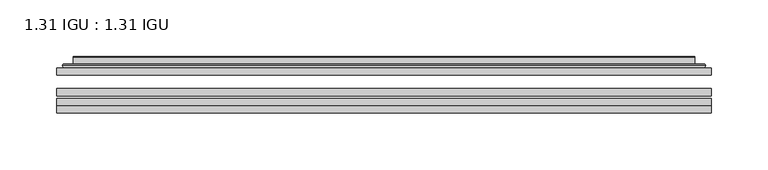
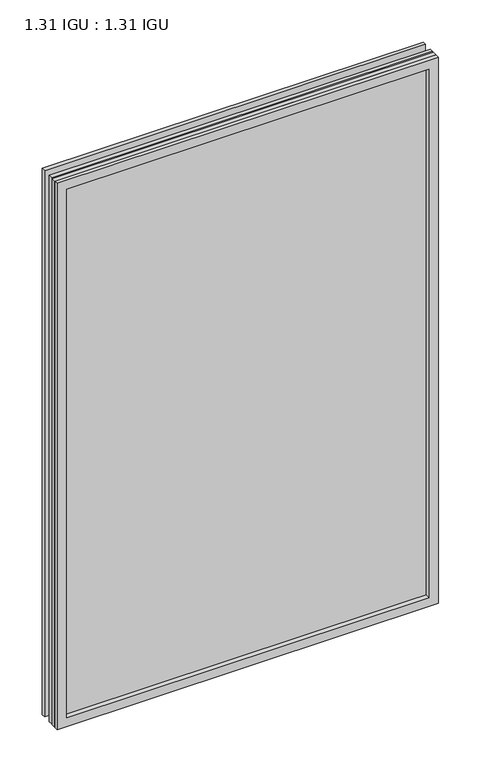
"""IFC4 building model written with IfcOpenShell, lengths in millimetres: plate geometry, 1.31 IGU : 1.31 IGU."""

from ifc_helpers import new_model, si_unit, frame, origin, place, context, project, spatial, polyline, ellipse_curve, outline, extrude, faceted_brep, source, transform, mapped, element, save
from ifc_brep_helpers import plane_surface, cylinder_surface, advanced_brep


def plate_1_31_igu_1_31_igu_30bb27c6(model_context):
    return source(origin(), model_context, "Body", "SolidModel", [
        extrude(outline(polyline([(287.351675, -63.2975937), (287.351675, -69.6475938), (-287.3375, -69.6475938), (-287.3375, -63.2975937), (287.351675, -63.2975937)])), frame((0.0, 0.0, -14.2875), z_axis=(0.0, 0.0, 1.0), x_axis=(1.0, 0.0, 0.0)), (0.0, 0.0, 1.0), 869.9537979),
        extrude(outline(polyline([(-287.3375, -78.2835938), (-287.3375, -71.9330887), (287.351675, -71.9330887), (287.351675, -78.2835938), (-287.3375, -78.2835938)])), frame((0.0, 0.0, -14.2875), z_axis=(0.0, 0.0, 1.0), x_axis=(1.0, 0.0, 0.0)), (0.0, 0.0, 1.0), 869.9537979),
        extrude(outline(polyline([(287.351675, -44.9587937), (287.351675, -51.3087938), (-287.3375, -51.3087938), (-287.3375, -44.9587937), (287.351675, -44.9587937)])), frame((0.0, 0.0, -14.2875), z_axis=(0.0, 0.0, 1.0), x_axis=(1.0, 0.0, 0.0)), (0.0, 0.0, 1.0), 869.9537979),
        faceted_brep([(-287.3502, -84.6335937, 855.6752), (-287.3502, -78.2835937, 855.6752), (-287.3502, -78.2835937, -14.3002), (-287.3502, -84.6335937, -14.3002), (287.3502, -78.2835937, -14.3002), (287.3502, -84.6335937, -14.3002), (287.3502, -78.2835937, 855.6752), (287.3502, -84.6335937, 855.6752), (-272.1522559, -78.2835937, 0.8977441), (272.1522559, -78.2835937, 0.8977441), (272.1522559, -78.2835937, 840.4772559), (-272.1522559, -78.2835937, 840.4772559), (-273.0446902, -84.6335937, 841.3696902), (273.0446902, -84.6335937, 841.3696902), (273.0446902, -84.6335937, 0.0053098), (-273.0446902, -84.6335937, 0.0053098)], [[[0, 1, 2, 3]], [[3, 2, 4, 5]], [[5, 4, 6, 7]], [[1, 6, 4, 2], [8, 9, 10, 11]], [[7, 6, 1, 0]], [[3, 5, 7, 0], [12, 13, 14, 15]], [[11, 12, 15, 8]], [[8, 15, 14, 9]], [[9, 14, 13, 10]], [[10, 13, 12, 11]]]),
        advanced_brep(
        [(-280.096219, -44.9587937, 848.421219), (-282.4504244, -42.9691271, 850.7754244), (-282.4504244, -42.9691271, -9.4004244), (-280.096219, -44.9587937, -7.046219), (-271.0218939, -41.1187568, 839.3468939), (-266.0870621, -44.9587937, 834.4120621), (-266.0870621, -44.9587937, 6.9629379), (-271.0218939, -41.1187568, 2.0281061), (-272.0539217, -35.7215256, 840.3789217), (-272.0539217, -35.7215256, 0.9960783), (-273.0445784, -35.3225507, 841.3695784), (-273.0445784, -35.3225507, 0.0054216), (-273.0445784, -41.7837937, 841.3695784), (-273.0445784, -41.7837937, 0.0054216), (-281.4486349, -41.7837937, 849.7736349), (-281.4486349, -41.7837937, -8.3986349), (282.4504244, -42.9691271, -9.4004244), (280.096219, -44.9587937, -7.046219), (266.0870621, -44.9587937, 6.9629379), (271.0218939, -41.1187568, 2.0281061), (272.0539217, -35.7215256, 0.9960783), (273.0445784, -35.3225507, 0.0054216), (273.0445784, -41.7837937, 0.0054216), (281.4486349, -41.7837937, -8.3986349), (282.4504244, -42.9691271, 850.7754244), (280.096219, -44.9587937, 848.421219), (266.0870621, -44.9587937, 834.4120621), (271.0218939, -41.1187568, 839.3468939), (272.0539217, -35.7215256, 840.3789217), (273.0445784, -35.3225507, 841.3695784), (273.0445784, -41.7837937, 841.3695784), (281.4486349, -41.7837937, 849.7736349)],
        [
            (0, 1, ellipse_curve(frame((-280.096219, -42.5711937, 848.421219), z_axis=(-0.7071067811865475, 0.0, -0.7071067811865475), x_axis=(-0.7071067811865474, 0.0, 0.7071067811865476)), 3.3765763, 2.3876)),
            (1, 2),
            (2, 3, ellipse_curve(frame((-280.096219, -42.5711937, -7.046219), z_axis=(-0.7071067811865475, 0.0, 0.7071067811865475), x_axis=(0.7071067811865474, 0.0, 0.7071067811865476)), 3.3765763, 2.3876)),
            (3, 0),
            (4, 5),
            (5, 6),
            (6, 7),
            (7, 4),
            (8, 4),
            (7, 9),
            (9, 8),
            (10, 8, ellipse_curve(frame((-272.6776219, -35.840786, 841.0026219), z_axis=(-0.7071067811865475, 0.0, -0.7071067811865475), x_axis=(-0.7071067811865474, 0.0, 0.7071067811865476)), 0.8980256, 0.635)),
            (9, 11, ellipse_curve(frame((-272.6776219, -35.840786, 0.3723781), z_axis=(-0.7071067811865475, 0.0, 0.7071067811865475), x_axis=(0.7071067811865474, 0.0, 0.7071067811865476)), 0.8980256, 0.635)),
            (11, 10),
            (12, 10),
            (11, 13),
            (13, 12),
            (1, 14, ellipse_curve(frame((-281.4486349, -42.7997937, 849.7736349), z_axis=(-0.7071067811865475, 0.0, -0.7071067811865475), x_axis=(-0.7071067811865474, 0.0, 0.7071067811865476)), 1.436841, 1.016)),
            (14, 15),
            (15, 2, ellipse_curve(frame((-281.4486349, -42.7997937, -8.3986349), z_axis=(-0.7071067811865475, 0.0, 0.7071067811865475), x_axis=(0.7071067811865474, 0.0, 0.7071067811865476)), 1.436841, 1.016)),
            (2, 16),
            (16, 17, ellipse_curve(frame((280.096219, -42.5711937, -7.046219), z_axis=(-0.7071067811865475, 0.0, -0.7071067811865475), x_axis=(-0.7071067811865476, 0.0, 0.7071067811865474)), 3.3765763, 2.3876)),
            (17, 3),
            (6, 18),
            (18, 19),
            (19, 7),
            (19, 20),
            (20, 9),
            (20, 21, ellipse_curve(frame((272.6776219, -35.840786, 0.3723781), z_axis=(-0.7071067811865475, 0.0, -0.7071067811865475), x_axis=(-0.7071067811865476, 0.0, 0.7071067811865474)), 0.8980256, 0.635)),
            (21, 11),
            (21, 22),
            (22, 13),
            (15, 23),
            (23, 16, ellipse_curve(frame((281.4486349, -42.7997937, -8.3986349), z_axis=(-0.7071067811865475, 0.0, -0.7071067811865475), x_axis=(-0.7071067811865476, 0.0, 0.7071067811865474)), 1.436841, 1.016)),
            (16, 24),
            (24, 25, ellipse_curve(frame((280.096219, -42.5711937, 848.421219), z_axis=(0.7071067811865475, 0.0, -0.7071067811865475), x_axis=(-0.7071067811865474, 0.0, -0.7071067811865476)), 3.3765763, 2.3876)),
            (25, 17),
            (18, 26),
            (26, 27),
            (27, 19),
            (27, 28),
            (28, 20),
            (28, 29, ellipse_curve(frame((272.6776219, -35.840786, 841.0026219), z_axis=(0.7071067811865475, 0.0, -0.7071067811865475), x_axis=(-0.7071067811865474, 0.0, -0.7071067811865476)), 0.8980256, 0.635)),
            (29, 21),
            (29, 30),
            (30, 22),
            (23, 31),
            (31, 24, ellipse_curve(frame((281.4486349, -42.7997937, 849.7736349), z_axis=(0.7071067811865475, 0.0, -0.7071067811865475), x_axis=(-0.7071067811865474, 0.0, -0.7071067811865476)), 1.436841, 1.016)),
            (24, 1),
            (0, 25),
            (5, 26),
            (4, 27),
            (8, 28),
            (10, 29),
            (12, 30),
            (14, 31),
        ],
        [
            cylinder_surface(frame((-280.096219, -42.5711937, 873.125), z_axis=(0.0, 0.0, 1.0), x_axis=(-1.0, 0.0, 0.0)), 2.3876),
            plane_surface(frame((-266.0870621, -44.9587937, 834.4120621), z_axis=(0.6141233906514794, 0.7892100234124821, 0.0), x_axis=(0.0, 0.0, -1.0))),
            plane_surface(frame((-271.0218939, -41.1187568, 839.3468939), z_axis=(0.9822050625507729, 0.18781164793386076, 0.0), x_axis=(0.0, 0.0, -1.0))),
            cylinder_surface(frame((-272.6776219, -35.840786, 873.125), z_axis=(0.0, 0.0, 1.0), x_axis=(-1.0, 0.0, 0.0)), 0.635),
            plane_surface(frame((-273.0445784, -35.3225507, 841.3695784), z_axis=(-1.0, 0.0, 0.0), x_axis=(0.0, 0.0, -1.0))),
            cylinder_surface(frame((-281.4486349, -42.7997937, 873.125), z_axis=(0.0, 0.0, 1.0), x_axis=(-1.0, 0.0, 0.0)), 1.016),
            cylinder_surface(frame((-304.8, -42.5711937, -7.046219), z_axis=(-1.0, 0.0, 0.0), x_axis=(0.0, 0.0, -1.0)), 2.3876),
            plane_surface(frame((-266.0870621, -44.9587937, 6.9629379), z_axis=(0.0, 0.7892100234124841, 0.6141233906514768), x_axis=(1.0, 0.0, 0.0))),
            plane_surface(frame((-271.0218939, -41.1187568, 2.0281061), z_axis=(0.0, 0.18781164793386393, 0.9822050625507723), x_axis=(1.0, 0.0, 0.0))),
            cylinder_surface(frame((-304.8, -35.840786, 0.3723781), z_axis=(-1.0, 0.0, 0.0), x_axis=(0.0, 0.0, -1.0)), 0.635),
            plane_surface(frame((-273.0445784, -35.3225507, 0.0054216), z_axis=(0.0, 0.0, -1.0), x_axis=(1.0, 0.0, 0.0))),
            cylinder_surface(frame((-304.8, -42.7997937, -8.3986349), z_axis=(-1.0, 0.0, 0.0), x_axis=(0.0, 0.0, -1.0)), 1.016),
            cylinder_surface(frame((280.096219, -42.5711937, -31.75), z_axis=(0.0, 0.0, -1.0), x_axis=(1.0, 0.0, 0.0)), 2.3876),
            plane_surface(frame((266.0870621, -44.9587937, 6.9629379), z_axis=(-0.6141233906514743, 0.7892100234124861, 0.0), x_axis=(0.0, 0.0, 1.0))),
            plane_surface(frame((271.0218939, -41.1187568, 2.0281061), z_axis=(-0.9822050625507718, 0.1878116479338671, 0.0), x_axis=(0.0, 0.0, 1.0))),
            cylinder_surface(frame((272.6776219, -35.840786, -31.75), z_axis=(0.0, 0.0, -1.0), x_axis=(1.0, 0.0, 0.0)), 0.635),
            plane_surface(frame((273.0445784, -35.3225507, 0.0054216), z_axis=(1.0, 0.0, 0.0), x_axis=(0.0, 0.0, 1.0))),
            cylinder_surface(frame((281.4486349, -42.7997937, -31.75), z_axis=(0.0, 0.0, -1.0), x_axis=(1.0, 0.0, 0.0)), 1.016),
            cylinder_surface(frame((304.8, -42.5711937, 848.421219), z_axis=(1.0, 0.0, 0.0), x_axis=(0.0, 0.0, 1.0)), 2.3876),
            plane_surface(frame((280.096219, -44.9587937, 848.421219), z_axis=(0.0, -1.0, 0.0), x_axis=(-1.0, 0.0, 0.0))),
            plane_surface(frame((266.0870621, -44.9587937, 834.4120621), z_axis=(0.0, 0.7892100234124841, -0.6141233906514768), x_axis=(-1.0, 0.0, 0.0))),
            plane_surface(frame((271.0218939, -41.1187568, 839.3468939), z_axis=(0.0, 0.18781164793386393, -0.9822050625507723), x_axis=(-1.0, 0.0, 0.0))),
            cylinder_surface(frame((304.8, -35.840786, 841.0026219), z_axis=(1.0, 0.0, 0.0), x_axis=(0.0, 0.0, 1.0)), 0.635),
            plane_surface(frame((273.0445784, -35.3225507, 841.3695784), z_axis=(0.0, 0.0, 1.0), x_axis=(-1.0, 0.0, 0.0))),
            plane_surface(frame((273.0445784, -41.7837937, 841.3695784), z_axis=(0.0, 1.0, 0.0), x_axis=(-1.0, 0.0, 0.0))),
            cylinder_surface(frame((304.8, -42.7997937, 849.7736349), z_axis=(1.0, 0.0, 0.0), x_axis=(0.0, 0.0, 1.0)), 1.016),
        ],
        [
            (0, [[1, 2, 3, 4]]),
            (1, [[5, 6, 7, 8]]),
            (2, [[9, -8, 10, 11]]),
            (3, [[12, -11, 13, 14]]),
            (4, [[15, -14, 16, 17]]),
            (5, [[18, 19, 20, -2]]),
            (6, [[-3, 21, 22, 23]]),
            (7, [[-7, 24, 25, 26]]),
            (8, [[-10, -26, 27, 28]]),
            (9, [[-13, -28, 29, 30]]),
            (10, [[-16, -30, 31, 32]]),
            (11, [[-20, 33, 34, -21]]),
            (12, [[-22, 35, 36, 37]]),
            (13, [[-25, 38, 39, 40]]),
            (14, [[-27, -40, 41, 42]]),
            (15, [[-29, -42, 43, 44]]),
            (16, [[-31, -44, 45, 46]]),
            (17, [[-34, 47, 48, -35]]),
            (18, [[-36, 49, -1, 50]]),
            (19, [[-23, -37, -50, -4], [51, -38, -24, -6]]),
            (20, [[-39, -51, -5, 52]]),
            (21, [[-41, -52, -9, 53]]),
            (22, [[-43, -53, -12, 54]]),
            (23, [[-45, -54, -15, 55]]),
            (24, [[56, -47, -33, -19], [-32, -46, -55, -17]]),
            (25, [[-48, -56, -18, -49]]),
        ],
    ),
    ])


if __name__ == "__main__":
    model = new_model("IFC4")
    model_context = context("Model", 3, world=origin())
    ifc_project = project(units=[si_unit("LENGTHUNIT", "METRE", prefix="MILLI")], contexts=[model_context])
    site = spatial("IfcSite", under=ifc_project)
    building = spatial("IfcBuilding", under=site)
    placement = place(None, origin())
    plate_1_31_igu_1_31_igu_shape = plate_1_31_igu_1_31_igu_30bb27c6(model_context)
    element("IfcPlate", 1, ObjectType="1.31 IGU : 1.31 IGU", at=placement, inside=building, context=model_context, shape_type="MappedRepresentation", body=[
        mapped(plate_1_31_igu_1_31_igu_shape, transform((0.0, 0.0, 0.0), x_axis=(1.0, 0.0, 0.0), y_axis=(0.0, 1.0, 0.0), z_axis=(0.0, 0.0, 1.0))),
    ])
    save(model, "model.ifc")
